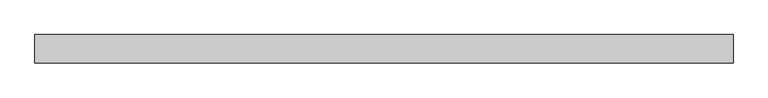
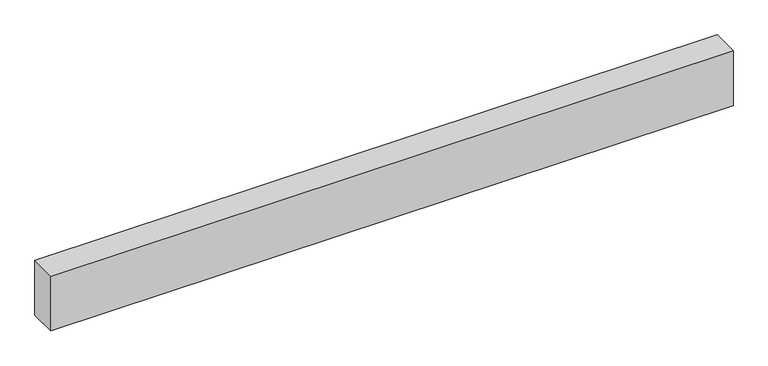
"""IFC4 building model written with IfcOpenShell, lengths in millimetres: beam geometry."""

import ifcopenshell
import ifcopenshell.guid

model = None  # the IFC model being written
_history = None  # IfcOwnerHistory: only IFC2X3 demands one
_inside = {}  # id of a spatial element -> (the spatial element, [elements in it])
_under = {}  # id of a project, library or spatial element -> (it, [spatial elements below it])
_declared = {}  # id of a project -> (the project, [libraries it declares])
_typed = {}  # id of a type object -> (the type object, [elements of that type])
_made_of = {}  # id of a material, layer set ... -> (it, [elements and type objects made of it])


def new_model(schema):
    """Start an empty IFC model of exactly this schema.

    Asked for "IFC4X3", IfcOpenShell would pick the latest addendum, in which some entities
    have other attributes; the version numbers below select the first issue.
    IFC2X3 requires an IfcOwnerHistory on every rooted entity: one is made here for all.
    """
    global model, _history
    if schema == "IFC4X3":
        model = ifcopenshell.file(schema_version=(4, 3, 0, 0))
    else:
        model = ifcopenshell.file(schema=schema)
    _inside.clear()
    _under.clear()
    _declared.clear()
    _typed.clear()
    _made_of.clear()
    _history = None
    if model.schema == "IFC2X3":
        org = make("IfcOrganization", Name="unknown")
        user = make(
            "IfcPersonAndOrganization",
            ThePerson=make("IfcPerson", FamilyName="unknown"),
            TheOrganization=org,
        )
        app = make(
            "IfcApplication",
            ApplicationDeveloper=org,
            Version="unknown",
            ApplicationFullName="unknown",
            ApplicationIdentifier="unknown",
        )
        _history = make(
            "IfcOwnerHistory",
            OwningUser=user,
            OwningApplication=app,
            ChangeAction="ADDED",
            CreationDate=0,
        )
    return model


def make(cls, **values):
    """One entity of the class cls with the attributes given. An attribute that is None is left unset."""
    return model.create_entity(
        cls, **{name: value for name, value in values.items() if value is not None}
    )


def rooted(cls, **values):
    """An entity with a GlobalId (a new one), such as an element, a storey or a relation."""
    return make(cls, GlobalId=ifcopenshell.guid.new(), OwnerHistory=_history, **values)


def si_unit(unit_type, name, prefix=None):
    """IfcSIUnit, for example si_unit("LENGTHUNIT", "METRE", prefix="MILLI")."""
    return make("IfcSIUnit", UnitType=unit_type, Prefix=prefix, Name=name)


def assignment(units):
    """IfcUnitAssignment: the units of a project."""
    return None if units is None else make("IfcUnitAssignment", Units=units)


def point(xyz):
    """IfcCartesianPoint."""
    return None if xyz is None else make("IfcCartesianPoint", Coordinates=xyz)


def direction(xyz):
    """IfcDirection."""
    return None if xyz is None else make("IfcDirection", DirectionRatios=xyz)


def frame(location, z_axis=None, x_axis=None):
    """IfcAxis2Placement3D, a coordinate frame: its origin and axes. An axis left out is left unset."""
    return make(
        "IfcAxis2Placement3D",
        Location=point(location),
        Axis=direction(z_axis),
        RefDirection=direction(x_axis),
    )


def origin():
    """The frame at (0, 0, 0) with its axes left unset."""
    return frame((0.0, 0.0, 0.0))


def place(relative_to, where):
    """IfcLocalPlacement: puts the frame where relative to a parent placement (None: the world)."""
    return make(
        "IfcLocalPlacement", PlacementRelTo=relative_to, RelativePlacement=where
    )


def context(
    kind, dimensions, precision=None, world=None, true_north=None, identifier=None
):
    """IfcGeometricRepresentationContext, for example the 3D "Model" context."""
    return make(
        "IfcGeometricRepresentationContext",
        ContextIdentifier=identifier,
        ContextType=kind,
        CoordinateSpaceDimension=dimensions,
        Precision=precision,
        WorldCoordinateSystem=world,
        TrueNorth=true_north,
    )


def project(units=None, contexts=None):
    """IfcProject with its units and contexts."""
    return rooted(
        "IfcProject",
        Name="project",
        RepresentationContexts=contexts,
        UnitsInContext=assignment(units),
    )


def spatial(cls, under=None, at=None, **own):
    """A site, building, storey or space (cls), placed at a placement, below another one or the project."""
    s = rooted(cls, ObjectPlacement=at, **own)
    if under is not None:
        _under.setdefault(under.id(), (under, []))[1].append(s)
    return s


def polyline(points):
    """IfcPolyline through the points."""
    return make("IfcPolyline", Points=[point(p) for p in points])


def outline(outer, holes=None, kind="AREA"):
    """IfcArbitraryClosedProfileDef: a profile drawn as a closed curve; with holes, ...WithVoids."""
    if holes is None:
        return make("IfcArbitraryClosedProfileDef", ProfileType=kind, OuterCurve=outer)
    return make(
        "IfcArbitraryProfileDefWithVoids",
        ProfileType=kind,
        OuterCurve=outer,
        InnerCurves=holes,
    )


def extrude(swept, where, along, depth):
    """IfcExtrudedAreaSolid: the profile swept, set in the frame where, extruded along a direction by depth."""
    return make(
        "IfcExtrudedAreaSolid",
        SweptArea=swept,
        Position=where,
        ExtrudedDirection=direction(along),
        Depth=depth,
    )


def shape(context_of_items, identifier, shape_type, items):
    """IfcShapeRepresentation: the items that make up one representation, for example the "Body"."""
    return make(
        "IfcShapeRepresentation",
        ContextOfItems=context_of_items,
        RepresentationIdentifier=identifier,
        RepresentationType=shape_type,
        Items=items,
    )


def source(mapping_origin, context_of_items, identifier, shape_type, items):
    """IfcRepresentationMap: a shape defined once, which mapped items show again and again."""
    return make(
        "IfcRepresentationMap",
        MappingOrigin=mapping_origin,
        MappedRepresentation=shape(context_of_items, identifier, shape_type, items),
    )


def transform(
    local_origin,
    x_axis=None,
    y_axis=None,
    z_axis=None,
    scale=None,
    scale2=None,
    scale3=None,
    uniform=True,
):
    """IfcCartesianTransformationOperator3D, or its non-uniform kind. x_axis, y_axis, z_axis: its Axis1, 2, 3."""
    if uniform:
        return make(
            "IfcCartesianTransformationOperator3D",
            Axis1=direction(x_axis),
            Axis2=direction(y_axis),
            LocalOrigin=point(local_origin),
            Scale=scale,
            Axis3=direction(z_axis),
        )
    return make(
        "IfcCartesianTransformationOperator3DnonUniform",
        Axis1=direction(x_axis),
        Axis2=direction(y_axis),
        LocalOrigin=point(local_origin),
        Scale=scale,
        Axis3=direction(z_axis),
        Scale2=scale2,
        Scale3=scale3,
    )


def mapped(mapping_source, mapping_target):
    """IfcMappedItem: shows the shape of a source again, moved by a transform."""
    return make(
        "IfcMappedItem", MappingSource=mapping_source, MappingTarget=mapping_target
    )


def made_of(thing, what):
    """Note that an element or type object is made of a material, layer set ...; save() writes the relation."""
    if what is not None:
        _made_of.setdefault(what.id(), (what, []))[1].append(thing)
    return thing


def element(
    cls,
    number,
    at=None,
    inside=None,
    cuts=None,
    type_object=None,
    material=None,
    context=None,
    identifier="Body",
    shape_type=None,
    held_by="IfcProductDefinitionShape",
    body=None,
    shapes=None,
    **own,
):
    """One element of the class cls, such as IfcWall. Its Tag is "e" and its number.

    at: its placement. inside: the storey or other place that contains it. cuts: it is an
    opening in that element (IfcRelVoidsElement). A single representation is given by context,
    identifier, shape_type and body (its items); several are given by shapes. held_by: the class
    of the entity that holds the representations. save() writes the other relations.
    """
    e = rooted(cls, Tag="e%d" % number, ObjectPlacement=at, **own)
    if body is not None:
        shapes = [shape(context, identifier, shape_type, body)]
    if shapes is not None:
        e.Representation = make(held_by, Representations=shapes)
    if inside is not None:
        _inside.setdefault(inside.id(), (inside, []))[1].append(e)
    if cuts is not None:
        rooted(
            "IfcRelVoidsElement", RelatingBuildingElement=cuts, RelatedOpeningElement=e
        )
    if type_object is not None:
        _typed.setdefault(type_object.id(), (type_object, []))[1].append(e)
    return made_of(e, material)


def aggregate(whole, parts):
    """IfcRelAggregates: a whole, such as a stair, and the parts it consists of."""
    return rooted("IfcRelAggregates", RelatingObject=whole, RelatedObjects=parts)


def save(model, path):
    """Write the relations noted so far, then the file.

    IfcRelAggregates (storeys below a building ...), IfcRelContainedInSpatialStructure (elements
    in a storey), IfcRelDefinesByType, IfcRelAssociatesMaterial and IfcRelDeclares: one each for
    every whole, place, type object, material and project.
    """
    for whole, parts in _under.values():
        aggregate(whole, parts)
    for where, things in _inside.values():
        rooted(
            "IfcRelContainedInSpatialStructure",
            RelatedElements=things,
            RelatingStructure=where,
        )
    for kind, things in _typed.values():
        rooted("IfcRelDefinesByType", RelatedObjects=things, RelatingType=kind)
    for what, things in _made_of.values():
        rooted("IfcRelAssociatesMaterial", RelatedObjects=things, RelatingMaterial=what)
    for by, libraries in _declared.values():
        rooted("IfcRelDeclares", RelatingContext=by, RelatedDefinitions=libraries)
    model.write(path)


def beam_8b7a835f(model_context):
    return source(origin(), model_context, "Body", "SweptSolid", [
        extrude(outline(polyline([(4394.2, 180.975), (4394.2, -180.975), (-4572.0, -180.975), (-4572.0, 180.975), (4394.2, 180.975)])), frame((0.0, 0.0, -381.0), z_axis=(0.0, 0.0, 1.0), x_axis=(1.0, 0.0, 0.0)), (0.0, 0.0, 1.0), 762.0),
    ])


if __name__ == "__main__":
    model = new_model("IFC4")
    model_context = context("Model", 3, world=origin())
    ifc_project = project(units=[si_unit("LENGTHUNIT", "METRE", prefix="MILLI")], contexts=[model_context])
    site = spatial("IfcSite", under=ifc_project)
    building = spatial("IfcBuilding", under=site)
    placement = place(None, origin())
    beam_shape = beam_8b7a835f(model_context)
    element("IfcBeam", 1, at=placement, inside=building, context=model_context, shape_type="MappedRepresentation", body=[
        mapped(beam_shape, transform((0.0, 0.0, 0.0), x_axis=(1.0, 0.0, 0.0), y_axis=(0.0, 1.0, 0.0), z_axis=(0.0, 0.0, 1.0))),
    ])
    save(model, "model.ifc")
